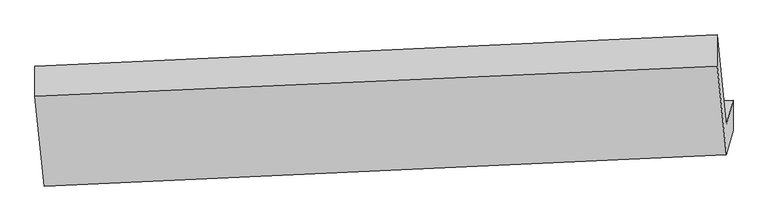
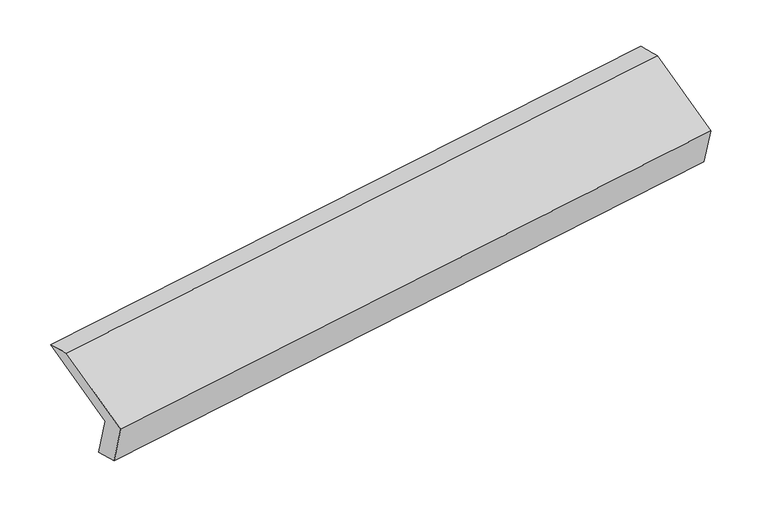
"""IFC4 building model written with IfcOpenShell, lengths in millimetres: proxy geometry."""

from ifc_helpers import new_model, si_unit, frame, origin, place, context, project, spatial, source, transform, mapped, element, save
from ifc_brep_helpers import plane_surface, spline_surface, advanced_brep


def generic_models_d8f332c0(model_context):
    return source(origin(), model_context, "Body", "AdvancedBrep", [
        advanced_brep(
        [(-5144.3983268, -1602.2264332, 1227.6811915), (-5189.7160916, -1770.356668, 1598.9020514), (-520.5655347, -1556.5560966, 2265.7336697), (-475.24777, -1388.4258618, 1894.5128098), (-5143.8742326, -1807.5851202, 1284.9292648), (-474.7236758, -1593.7845488, 1951.7608831), (-5189.1919974, -1975.715355, 1656.1501246), (-520.0414405, -1761.9147837, 2322.981743), (-5253.1680549, -1360.3214008, 1927.0591413), (-583.0702963, -1155.6320859, 2589.879798), (-5253.6921491, -1154.9627138, 1869.8110681), (-584.5415923, -941.1621424, 2536.6426864)],
        [
            (0, 1),
            (1, 2),
            (2, 3),
            (3, 0),
            (4, 0),
            (3, 5),
            (5, 4),
            (6, 4),
            (5, 7),
            (7, 6),
            (8, 6),
            (7, 9),
            (9, 8),
            (10, 8),
            (9, 11),
            (11, 10),
            (1, 10),
            (11, 2),
        ],
        [
            plane_surface(frame((-5167.0572092, -1686.2915506, 1413.2916214), z_axis=(-0.09891027461880392, 0.9109420014971992, 0.4005014700136691), x_axis=(-0.11052245430019447, -0.4100415433694778, 0.9053456355484564))),
            plane_surface(frame((-5144.1362797, -1704.9057767, 1256.3052281), z_axis=(0.14820977685564796, -0.2652154030795646, -0.9527301044964115), x_axis=(-0.0024583478369770186, 0.963267832754735, -0.2685312624368124))),
            plane_surface(frame((-5166.533115, -1891.6502376, 1470.5396947), z_axis=(0.09891027461880392, -0.910942001497199, -0.4005014700136696), x_axis=(0.11052245430019443, 0.4100415433694783, -0.905345635548456))),
            plane_surface(frame((-5221.1800261, -1668.0183779, 1791.604633), z_axis=(-0.11052245430019383, -0.4100415433694808, 0.9053456355484549), x_axis=(0.09472018174676203, -0.9111256522710077, -0.4010961642095211))),
            spline_surface(1, 1, [[(-5253.6921491, -1154.9627138, 1869.8110681), (-584.5415923, -941.1621424, 2536.6426864)], [(-5253.1680549, -1360.3214008, 1927.0591413), (-583.0702963, -1155.6320859, 2589.879798)]], [2, 2], [2, 2], [0.0, 1.0], [0.0, 1.0]),
            plane_surface(frame((-5221.7041203, -1462.6596909, 1734.3565597), z_axis=(0.11052245430019403, 0.41004154336947796, -0.9053456355484564), x_axis=(-0.09472018174675903, 0.9111256522710092, 0.4010961642095186))),
            plane_surface(frame((-526.3650516, -1399.5792532, 2260.2519317), z_axis=(0.9893497229318466, 0.04142437066395745, 0.13953905277653708), x_axis=(0.09472018174676203, -0.9111256522710077, -0.4010961642095211))),
            plane_surface(frame((-5195.6734754, -1611.8612818, 1594.0888069), z_axis=(-0.9893497229318473, -0.04142437066395081, -0.13953905277653555), x_axis=(0.11052245430019578, 0.41004154336947773, -0.9053456355484562))),
        ],
        [
            (0, [[1, 2, 3, 4]]),
            (1, [[5, -4, 6, 7]]),
            (2, [[8, -7, 9, 10]]),
            (3, [[11, -10, 12, 13]]),
            (4, [[14, -13, 15, 16]]),
            (5, [[17, -16, 18, -2]]),
            (6, [[-12, -9, -6, -3, -18, -15]]),
            (7, [[-1, -5, -8, -11, -14, -17]]),
        ],
    ),
    ])


if __name__ == "__main__":
    model = new_model("IFC4")
    model_context = context("Model", 3, world=origin())
    ifc_project = project(units=[si_unit("LENGTHUNIT", "METRE", prefix="MILLI")], contexts=[model_context])
    site = spatial("IfcSite", under=ifc_project)
    building = spatial("IfcBuilding", under=site)
    placement = place(None, origin())
    generic_models_shape = generic_models_d8f332c0(model_context)
    element("IfcBuildingElementProxy", 1, Name="Generic Models", at=placement, inside=building, context=model_context, shape_type="MappedRepresentation", body=[
        mapped(generic_models_shape, transform((0.0, 0.0, 0.0), x_axis=(1.0, 0.0, 0.0), y_axis=(0.0, 1.0, 0.0), z_axis=(0.0, 0.0, 1.0))),
    ])
    save(model, "model.ifc")
